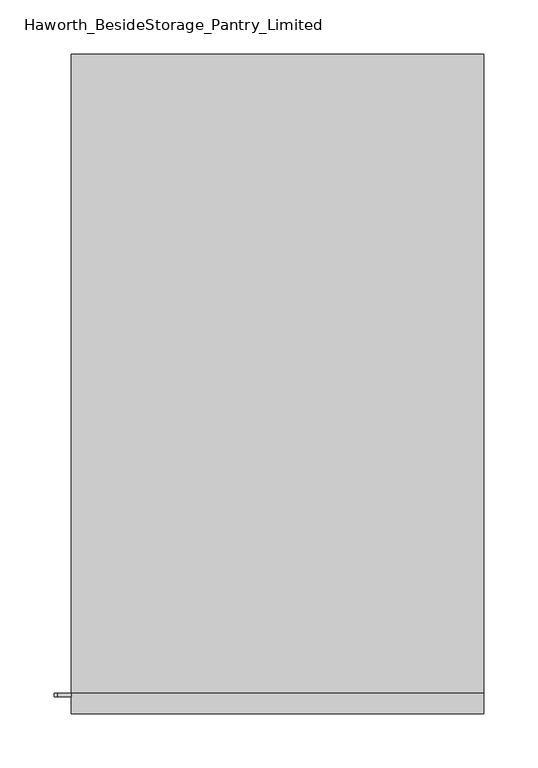
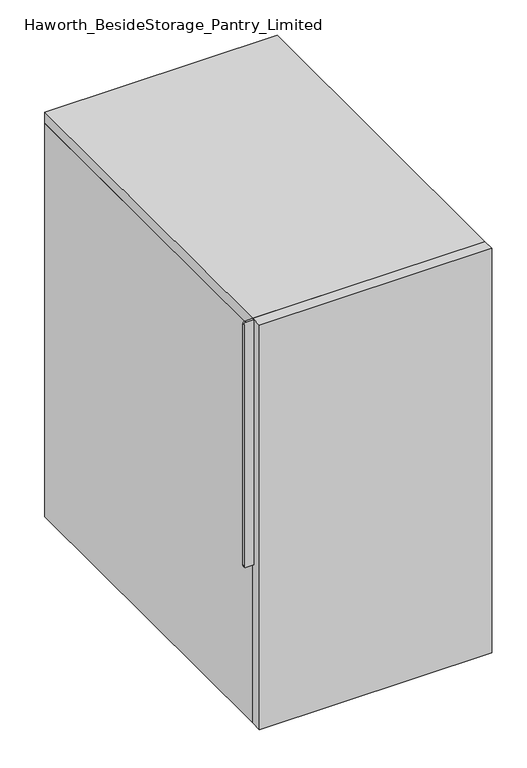
"""IFC4 building model written with IfcOpenShell, lengths in millimetres: furniture geometry, Haworth_BesideStorage_Pantry_Limited."""

import ifcopenshell
import ifcopenshell.guid

model = None  # the IFC model being written
_history = None  # IfcOwnerHistory: only IFC2X3 demands one
_inside = {}  # id of a spatial element -> (the spatial element, [elements in it])
_under = {}  # id of a project, library or spatial element -> (it, [spatial elements below it])
_declared = {}  # id of a project -> (the project, [libraries it declares])
_typed = {}  # id of a type object -> (the type object, [elements of that type])
_made_of = {}  # id of a material, layer set ... -> (it, [elements and type objects made of it])


def new_model(schema):
    """Start an empty IFC model of exactly this schema.

    Asked for "IFC4X3", IfcOpenShell would pick the latest addendum, in which some entities
    have other attributes; the version numbers below select the first issue.
    IFC2X3 requires an IfcOwnerHistory on every rooted entity: one is made here for all.
    """
    global model, _history
    if schema == "IFC4X3":
        model = ifcopenshell.file(schema_version=(4, 3, 0, 0))
    else:
        model = ifcopenshell.file(schema=schema)
    _inside.clear()
    _under.clear()
    _declared.clear()
    _typed.clear()
    _made_of.clear()
    _history = None
    if model.schema == "IFC2X3":
        org = make("IfcOrganization", Name="unknown")
        user = make(
            "IfcPersonAndOrganization",
            ThePerson=make("IfcPerson", FamilyName="unknown"),
            TheOrganization=org,
        )
        app = make(
            "IfcApplication",
            ApplicationDeveloper=org,
            Version="unknown",
            ApplicationFullName="unknown",
            ApplicationIdentifier="unknown",
        )
        _history = make(
            "IfcOwnerHistory",
            OwningUser=user,
            OwningApplication=app,
            ChangeAction="ADDED",
            CreationDate=0,
        )
    return model


def make(cls, **values):
    """One entity of the class cls with the attributes given. An attribute that is None is left unset."""
    return model.create_entity(
        cls, **{name: value for name, value in values.items() if value is not None}
    )


def rooted(cls, **values):
    """An entity with a GlobalId (a new one), such as an element, a storey or a relation."""
    return make(cls, GlobalId=ifcopenshell.guid.new(), OwnerHistory=_history, **values)


def si_unit(unit_type, name, prefix=None):
    """IfcSIUnit, for example si_unit("LENGTHUNIT", "METRE", prefix="MILLI")."""
    return make("IfcSIUnit", UnitType=unit_type, Prefix=prefix, Name=name)


def assignment(units):
    """IfcUnitAssignment: the units of a project."""
    return None if units is None else make("IfcUnitAssignment", Units=units)


def point(xyz):
    """IfcCartesianPoint."""
    return None if xyz is None else make("IfcCartesianPoint", Coordinates=xyz)


def direction(xyz):
    """IfcDirection."""
    return None if xyz is None else make("IfcDirection", DirectionRatios=xyz)


def frame(location, z_axis=None, x_axis=None):
    """IfcAxis2Placement3D, a coordinate frame: its origin and axes. An axis left out is left unset."""
    return make(
        "IfcAxis2Placement3D",
        Location=point(location),
        Axis=direction(z_axis),
        RefDirection=direction(x_axis),
    )


def frame_2d(location, x_axis=None):
    """IfcAxis2Placement2D, a coordinate frame in the plane: its origin and x axis."""
    return make(
        "IfcAxis2Placement2D", Location=point(location), RefDirection=direction(x_axis)
    )


def origin():
    """The frame at (0, 0, 0) with its axes left unset."""
    return frame((0.0, 0.0, 0.0))


def place(relative_to, where):
    """IfcLocalPlacement: puts the frame where relative to a parent placement (None: the world)."""
    return make(
        "IfcLocalPlacement", PlacementRelTo=relative_to, RelativePlacement=where
    )


def context(
    kind, dimensions, precision=None, world=None, true_north=None, identifier=None
):
    """IfcGeometricRepresentationContext, for example the 3D "Model" context."""
    return make(
        "IfcGeometricRepresentationContext",
        ContextIdentifier=identifier,
        ContextType=kind,
        CoordinateSpaceDimension=dimensions,
        Precision=precision,
        WorldCoordinateSystem=world,
        TrueNorth=true_north,
    )


def project(units=None, contexts=None):
    """IfcProject with its units and contexts."""
    return rooted(
        "IfcProject",
        Name="project",
        RepresentationContexts=contexts,
        UnitsInContext=assignment(units),
    )


def spatial(cls, under=None, at=None, **own):
    """A site, building, storey or space (cls), placed at a placement, below another one or the project."""
    s = rooted(cls, ObjectPlacement=at, **own)
    if under is not None:
        _under.setdefault(under.id(), (under, []))[1].append(s)
    return s


def polyline(points):
    """IfcPolyline through the points."""
    return make("IfcPolyline", Points=[point(p) for p in points])


def circle_curve(where, radius):
    """IfcCircle in the frame where."""
    return make("IfcCircle", Position=where, Radius=radius)


def trimmed(basis, trim1, trim2, sense, master):
    """IfcTrimmedCurve: the piece of a basis curve between two trims."""
    return make(
        "IfcTrimmedCurve",
        BasisCurve=basis,
        Trim1=trim1,
        Trim2=trim2,
        SenseAgreement=sense,
        MasterRepresentation=master,
    )


def segment(curve, same_sense, transition):
    """IfcCompositeCurveSegment."""
    return make(
        "IfcCompositeCurveSegment",
        Transition=transition,
        SameSense=same_sense,
        ParentCurve=curve,
    )


def composite_curve(segments, self_intersect=None):
    """IfcCompositeCurve: segments joined end to end."""
    return make("IfcCompositeCurve", Segments=segments, SelfIntersect=self_intersect)


def outline(outer, holes=None, kind="AREA"):
    """IfcArbitraryClosedProfileDef: a profile drawn as a closed curve; with holes, ...WithVoids."""
    if holes is None:
        return make("IfcArbitraryClosedProfileDef", ProfileType=kind, OuterCurve=outer)
    return make(
        "IfcArbitraryProfileDefWithVoids",
        ProfileType=kind,
        OuterCurve=outer,
        InnerCurves=holes,
    )


def extrude(swept, where, along, depth):
    """IfcExtrudedAreaSolid: the profile swept, set in the frame where, extruded along a direction by depth."""
    return make(
        "IfcExtrudedAreaSolid",
        SweptArea=swept,
        Position=where,
        ExtrudedDirection=direction(along),
        Depth=depth,
    )


def shape(context_of_items, identifier, shape_type, items):
    """IfcShapeRepresentation: the items that make up one representation, for example the "Body"."""
    return make(
        "IfcShapeRepresentation",
        ContextOfItems=context_of_items,
        RepresentationIdentifier=identifier,
        RepresentationType=shape_type,
        Items=items,
    )


def source(mapping_origin, context_of_items, identifier, shape_type, items):
    """IfcRepresentationMap: a shape defined once, which mapped items show again and again."""
    return make(
        "IfcRepresentationMap",
        MappingOrigin=mapping_origin,
        MappedRepresentation=shape(context_of_items, identifier, shape_type, items),
    )


def transform(
    local_origin,
    x_axis=None,
    y_axis=None,
    z_axis=None,
    scale=None,
    scale2=None,
    scale3=None,
    uniform=True,
):
    """IfcCartesianTransformationOperator3D, or its non-uniform kind. x_axis, y_axis, z_axis: its Axis1, 2, 3."""
    if uniform:
        return make(
            "IfcCartesianTransformationOperator3D",
            Axis1=direction(x_axis),
            Axis2=direction(y_axis),
            LocalOrigin=point(local_origin),
            Scale=scale,
            Axis3=direction(z_axis),
        )
    return make(
        "IfcCartesianTransformationOperator3DnonUniform",
        Axis1=direction(x_axis),
        Axis2=direction(y_axis),
        LocalOrigin=point(local_origin),
        Scale=scale,
        Axis3=direction(z_axis),
        Scale2=scale2,
        Scale3=scale3,
    )


def mapped(mapping_source, mapping_target):
    """IfcMappedItem: shows the shape of a source again, moved by a transform."""
    return make(
        "IfcMappedItem", MappingSource=mapping_source, MappingTarget=mapping_target
    )


def made_of(thing, what):
    """Note that an element or type object is made of a material, layer set ...; save() writes the relation."""
    if what is not None:
        _made_of.setdefault(what.id(), (what, []))[1].append(thing)
    return thing


def element(
    cls,
    number,
    at=None,
    inside=None,
    cuts=None,
    type_object=None,
    material=None,
    context=None,
    identifier="Body",
    shape_type=None,
    held_by="IfcProductDefinitionShape",
    body=None,
    shapes=None,
    **own,
):
    """One element of the class cls, such as IfcWall. Its Tag is "e" and its number.

    at: its placement. inside: the storey or other place that contains it. cuts: it is an
    opening in that element (IfcRelVoidsElement). A single representation is given by context,
    identifier, shape_type and body (its items); several are given by shapes. held_by: the class
    of the entity that holds the representations. save() writes the other relations.
    """
    e = rooted(cls, Tag="e%d" % number, ObjectPlacement=at, **own)
    if body is not None:
        shapes = [shape(context, identifier, shape_type, body)]
    if shapes is not None:
        e.Representation = make(held_by, Representations=shapes)
    if inside is not None:
        _inside.setdefault(inside.id(), (inside, []))[1].append(e)
    if cuts is not None:
        rooted(
            "IfcRelVoidsElement", RelatingBuildingElement=cuts, RelatedOpeningElement=e
        )
    if type_object is not None:
        _typed.setdefault(type_object.id(), (type_object, []))[1].append(e)
    return made_of(e, material)


def aggregate(whole, parts):
    """IfcRelAggregates: a whole, such as a stair, and the parts it consists of."""
    return rooted("IfcRelAggregates", RelatingObject=whole, RelatedObjects=parts)


def save(model, path):
    """Write the relations noted so far, then the file.

    IfcRelAggregates (storeys below a building ...), IfcRelContainedInSpatialStructure (elements
    in a storey), IfcRelDefinesByType, IfcRelAssociatesMaterial and IfcRelDeclares: one each for
    every whole, place, type object, material and project.
    """
    for whole, parts in _under.values():
        aggregate(whole, parts)
    for where, things in _inside.values():
        rooted(
            "IfcRelContainedInSpatialStructure",
            RelatedElements=things,
            RelatingStructure=where,
        )
    for kind, things in _typed.values():
        rooted("IfcRelDefinesByType", RelatedObjects=things, RelatingType=kind)
    for what, things in _made_of.values():
        rooted("IfcRelAssociatesMaterial", RelatedObjects=things, RelatingMaterial=what)
    for by, libraries in _declared.values():
        rooted("IfcRelDeclares", RelatingContext=by, RelatedDefinitions=libraries)
    model.write(path)


def haworth_besidestorage_pantry_limited_b04dc714(model_context):
    return source(origin(), model_context, "Body", "SweptSolid", [
        extrude(outline(composite_curve([segment(polyline([(711.2, -190.5), (711.2, -203.2)]), True, "CONTINUOUS"), segment(trimmed(circle_curve(frame_2d((708.025, -203.2)), 3.175), [point((711.2, -203.2))], [point((708.025, -206.375))], False, "CARTESIAN"), True, "CONTINUOUS"), segment(polyline([(708.025, -206.375), (288.925, -206.375)]), True, "CONTINUOUS"), segment(trimmed(circle_curve(frame_2d((288.925, -203.2)), 3.175), [point((288.925, -206.375))], [point((285.75, -203.2))], False, "CARTESIAN"), True, "CONTINUOUS"), segment(polyline([(285.75, -203.2), (285.75, -190.5), (711.2, -190.5)]), True, "CONTINUOUS")], self_intersect=False)), frame((0.0, -784.225, 0.0), z_axis=(0.0, 1.0, 0.0), x_axis=(0.0, 0.0, 1.0)), (0.0, 0.0, 1.0), 3.175),
        extrude(outline(polyline([(190.5, -800.1), (-190.5, -800.1), (-190.5, -781.05), (190.5, -781.05), (190.5, -800.1)])), frame((0.0, 0.0, 9.525), z_axis=(0.0, 0.0, 1.0), x_axis=(1.0, 0.0, 0.0)), (0.0, 0.0, 1.0), 701.675),
        extrude(outline(polyline([(190.5, -190.5), (190.5, -781.05), (-190.5, -781.05), (-190.5, -190.5), (190.5, -190.5)])), frame((0.0, 0.0, 692.15), z_axis=(0.0, 0.0, 1.0), x_axis=(1.0, 0.0, 0.0)), (0.0, 0.0, 1.0), 19.05),
        extrude(outline(polyline([(171.45, -209.55), (171.45, -781.05), (-171.45, -781.05), (-171.45, -209.55), (171.45, -209.55)])), frame((0.0, 0.0, 9.525), z_axis=(0.0, 0.0, 1.0), x_axis=(1.0, 0.0, 0.0)), (0.0, 0.0, 1.0), 19.05),
        extrude(outline(polyline([(190.5, -190.5), (190.5, -781.05), (171.45, -781.05), (171.45, -209.55), (-171.45, -209.55), (-171.45, -781.05), (-190.5, -781.05), (-190.5, -190.5), (190.5, -190.5)])), frame((0.0, 0.0, 9.525), z_axis=(0.0, 0.0, 1.0), x_axis=(1.0, 0.0, 0.0)), (0.0, 0.0, 1.0), 682.625),
    ])


if __name__ == "__main__":
    model = new_model("IFC4")
    model_context = context("Model", 3, world=origin())
    ifc_project = project(units=[si_unit("LENGTHUNIT", "METRE", prefix="MILLI")], contexts=[model_context])
    site = spatial("IfcSite", under=ifc_project)
    building = spatial("IfcBuilding", under=site)
    placement = place(None, origin())
    haworth_besidestorage_pantry_limited_shape = haworth_besidestorage_pantry_limited_b04dc714(model_context)
    element("IfcFurniture", 1, ObjectType="Haworth_BesideStorage_Pantry_Limited", at=placement, inside=building, context=model_context, shape_type="MappedRepresentation", body=[
        mapped(haworth_besidestorage_pantry_limited_shape, transform((0.0, 0.0, 0.0), x_axis=(1.0, 0.0, 0.0), y_axis=(0.0, 1.0, 0.0), z_axis=(0.0, 0.0, 1.0))),
    ])
    save(model, "model.ifc")
